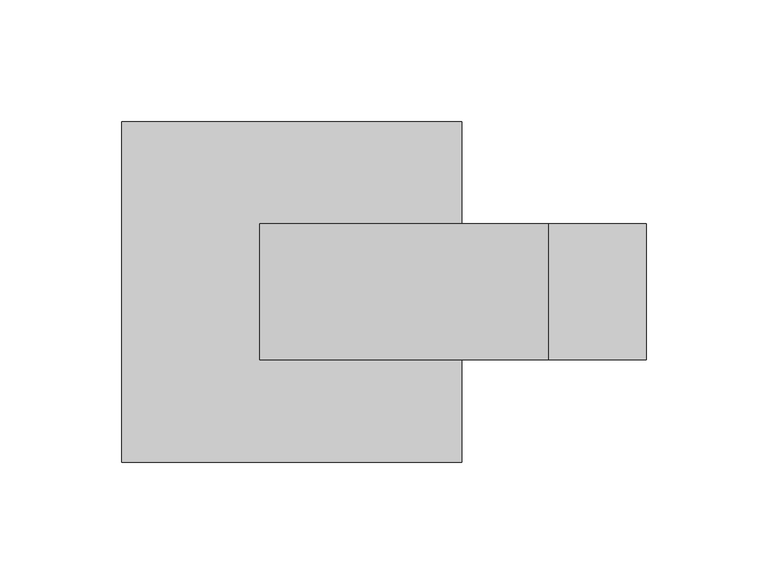
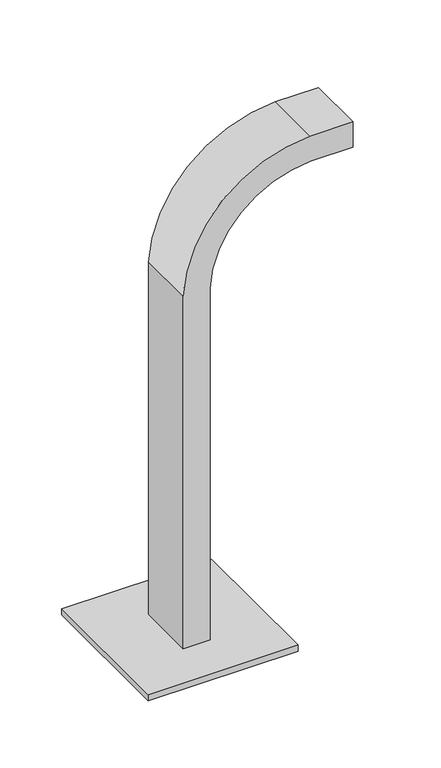
"""IFC4 building model written with IfcOpenShell, lengths in millimetres: furniture geometry."""

from ifc_helpers import new_model, si_unit, point, frame, frame_2d, origin, origin_with_axes, place, context, project, spatial, polyline, circle_curve, trimmed, segment, composite_curve, outline, extrude, source, transform, mapped, element, save


def furniture_badc6331(model_context):
    return source(origin(), model_context, "Body", "SweptSolid", [
        extrude(outline(composite_curve([segment(trimmed(circle_curve(frame_2d((353.0696692, -510.1651072)), 98.0547414), [point((358.7575366, -608.0547414))], [point((451.0547414, -513.8607731))], True, "CARTESIAN"), True, "CONTINUOUS"), segment(polyline([(451.0547414, -513.8607731), (451.0547414, -474.0794885), (476.0547414, -474.0794885), (476.0547414, -514.3053257)]), True, "CONTINUOUS"), segment(trimmed(circle_curve(frame_2d((353.0696692, -510.1651072)), 123.0547414), [point((476.0547414, -514.3053257))], [point((359.4420469, -633.0547414))], False, "CARTESIAN"), True, "CONTINUOUS"), segment(polyline([(359.4420469, -633.0547414), (11.0, -633.0547414), (11.0, -608.0547414), (358.7575366, -608.0547414)]), True, "CONTINUOUS")], self_intersect=False)), frame((0.0, -27.920928, 0.0), z_axis=(0.0, 1.0, 0.0), x_axis=(0.0, 0.0, 1.0)), (0.0, 0.0, 1.0), 55.8418559),
        extrude(outline(composite_curve([segment(trimmed(circle_curve(frame_2d((-678.0500045, 58.0314537)), 5.0), [point((-683.0500045, 58.0314537))], [point((-673.0500045, 58.0314537))], False, "CARTESIAN"), True, "CONTINUOUS"), segment(trimmed(circle_curve(frame_2d((-678.0500045, 58.0314537)), 5.0), [point((-673.0500045, 58.0314537))], [point((-683.0500045, 58.0314537))], False, "CARTESIAN"), True, "CONTINUOUS")], self_intersect=False)), origin_with_axes(), (0.0, 0.0, 1.0), 5.0),
        extrude(outline(composite_curve([segment(trimmed(circle_curve(frame_2d((-561.9499955, 58.0314537)), 5.0), [point((-566.9499955, 58.0314537))], [point((-556.9499955, 58.0314537))], False, "CARTESIAN"), True, "CONTINUOUS"), segment(trimmed(circle_curve(frame_2d((-561.9499955, 58.0314537)), 5.0), [point((-556.9499955, 58.0314537))], [point((-566.9499955, 58.0314537))], False, "CARTESIAN"), True, "CONTINUOUS")], self_intersect=False)), origin_with_axes(), (0.0, 0.0, 1.0), 5.0),
        extrude(outline(composite_curve([segment(trimmed(circle_curve(frame_2d((-678.0500045, -58.0314537)), 5.0), [point((-683.0500045, -58.0314537))], [point((-673.0500045, -58.0314537))], False, "CARTESIAN"), True, "CONTINUOUS"), segment(trimmed(circle_curve(frame_2d((-678.0500045, -58.0314537)), 5.0), [point((-673.0500045, -58.0314537))], [point((-683.0500045, -58.0314537))], False, "CARTESIAN"), True, "CONTINUOUS")], self_intersect=False)), origin_with_axes(), (0.0, 0.0, 1.0), 5.0),
        extrude(outline(composite_curve([segment(trimmed(circle_curve(frame_2d((-561.9499955, -58.0314537)), 5.0), [point((-566.9499955, -58.0314537))], [point((-556.9499955, -58.0314537))], False, "CARTESIAN"), True, "CONTINUOUS"), segment(trimmed(circle_curve(frame_2d((-561.9499955, -58.0314537)), 5.0), [point((-556.9499955, -58.0314537))], [point((-566.9499955, -58.0314537))], False, "CARTESIAN"), True, "CONTINUOUS")], self_intersect=False)), origin_with_axes(), (0.0, 0.0, 1.0), 5.0),
        extrude(outline(polyline([(-550.0, 70.0), (-550.0, -70.0), (-690.0, -70.0), (-690.0, 70.0), (-550.0, 70.0)])), frame((0.0, 0.0, 5.0), z_axis=(0.0, 0.0, 1.0), x_axis=(1.0, 0.0, 0.0)), (0.0, 0.0, 1.0), 6.0),
    ])


if __name__ == "__main__":
    model = new_model("IFC4")
    model_context = context("Model", 3, world=origin())
    ifc_project = project(units=[si_unit("LENGTHUNIT", "METRE", prefix="MILLI")], contexts=[model_context])
    site = spatial("IfcSite", under=ifc_project)
    building = spatial("IfcBuilding", under=site)
    placement = place(None, origin())
    furniture_shape = furniture_badc6331(model_context)
    element("IfcFurniture", 1, at=placement, inside=building, context=model_context, shape_type="MappedRepresentation", body=[
        mapped(furniture_shape, transform((0.0, 0.0, 0.0), x_axis=(1.0, 0.0, 0.0), y_axis=(0.0, 1.0, 0.0), z_axis=(0.0, 0.0, 1.0))),
    ])
    save(model, "model.ifc")
